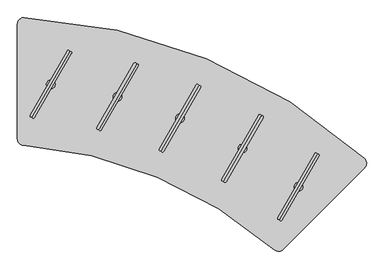
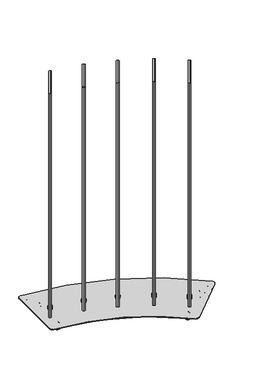
"""IFC4 building model written with IfcOpenShell, lengths in millimetres: furniture geometry."""

from ifc_helpers import new_model, si_unit, point, frame, frame_2d, origin, place, context, project, spatial, polyline, circle_curve, ellipse_curve, trimmed, segment, composite_curve, outline, extrude, source, transform, mapped, element, save
from ifc_brep_helpers import plane_surface, cylinder_surface, revolved_surface, advanced_brep


def furniture_2ecde058(model_context):
    return source(origin(), model_context, "Body", "SolidModel", [
        advanced_brep(
        [(280.6734308, -353.5244965, 45.0000013), (281.7186409, -351.0011417, 45.0000013), (279.6282207, -356.0478512, 45.0000013), (279.6282207, -356.0478512, 20.9698569), (281.7186409, -351.0011417, 20.9698569), (280.6734308, -353.5244965, 20.9698569)],
        [
            (0, 1),
            (1, 2, circle_curve(frame((280.6734308, -353.5244965, 45.0000013), z_axis=(0.0, 0.0, 1.0), x_axis=(0.3826841693843445, 0.9238792272275713, 0.0)), 2.7312604)),
            (2, 0),
            (2, 1, circle_curve(frame((280.6734308, -353.5244965, 45.0000013), z_axis=(0.0, 0.0, 1.0), x_axis=(0.3826841693843445, 0.9238792272275713, 0.0)), 2.7312604)),
            (3, 4, circle_curve(frame((280.6734308, -353.5244965, 20.9698569), z_axis=(0.0, 0.0, -1.0), x_axis=(0.3826841693843445, 0.9238792272275713, 0.0)), 2.7312604)),
            (4, 5),
            (5, 3),
            (4, 3, circle_curve(frame((280.6734308, -353.5244965, 20.9698569), z_axis=(0.0, 0.0, -1.0), x_axis=(0.3826841693843445, 0.9238792272275713, 0.0)), 2.7312604)),
            (1, 4),
            (3, 2),
        ],
        [
            plane_surface(frame((280.6734308, -353.5244965, 45.0000013), z_axis=(0.0, 0.0, 1.0), x_axis=(0.3826841693843445, 0.9238792272275713, 0.0))),
            plane_surface(frame((280.6734308, -353.5244965, 20.9698569), z_axis=(0.0, 0.0, -1.0), x_axis=(0.3826841693843445, 0.9238792272275713, 0.0))),
            cylinder_surface(frame((280.6734308, -353.5244965, 53.5051757), z_axis=(0.0, 0.0, 1.0), x_axis=(0.3826841693843445, 0.9238792272275713, 0.0)), 2.7312604),
        ],
        [
            (0, [[1, 2, 3]]),
            (0, [[-3, 4, -1]]),
            (1, [[5, 6, 7]]),
            (1, [[8, -7, -6]]),
            (2, [[-2, 9, -5, 10]]),
            (2, [[-4, -10, -8, -9]]),
        ],
    ),
        advanced_brep(
        [(287.9444294, -335.9707925, 6.35), (287.9444294, -335.9707925, 29.650001), (287.9444294, -335.9707925, 18.0000005), (285.514385, -341.8374256, 0.0), (285.514385, -341.8374256, 36.000001), (283.3522199, -347.0573422, 0.0), (283.3522199, -347.0573422, 36.000001), (283.3522199, -347.0573422, 11.0000008), (283.3522199, -347.0573422, 25.0000002), (277.99464, -359.991655, 11.0000008), (277.99464, -359.991655, 25.0000002), (277.99464, -359.991655, 0.0), (277.99464, -359.991655, 36.000001), (275.8324766, -365.2115673, 0.0), (275.8324766, -365.2115673, 36.000001), (273.4024321, -371.0782004, 6.35), (273.4024321, -371.0782004, 29.650001), (273.4024321, -371.0782004, 18.0000005)],
        [
            (0, 1, circle_curve(frame((287.9444294, -335.9707925, 18.0000005), z_axis=(0.3826841693843445, 0.9238792272275713, 0.0), x_axis=(0.0, 0.0, 1.0)), 11.6500005)),
            (1, 2),
            (2, 0),
            (1, 0, circle_curve(frame((287.9444294, -335.9707925, 18.0000005), z_axis=(0.3826841693843445, 0.9238792272275713, 0.0), x_axis=(0.0, 0.0, 1.0)), 11.6500005)),
            (3, 4, circle_curve(frame((285.514385, -341.8374256, 18.0000005), z_axis=(0.3826841693843445, 0.9238792272275713, 0.0), x_axis=(0.0, 0.0, 1.0)), 18.0000005)),
            (4, 1, circle_curve(frame((285.514385, -341.8374256, 29.650001), z_axis=(-0.9238792272275713, 0.3826841693843445, 0.0), x_axis=(0.3826841693843445, 0.9238792272275713, 0.0)), 6.35)),
            (0, 3, circle_curve(frame((285.514385, -341.8374256, 6.35), z_axis=(-0.9238792272275713, 0.3826841693843445, 0.0), x_axis=(0.3826841693843445, 0.9238792272275713, 0.0)), 6.35)),
            (4, 3, circle_curve(frame((285.514385, -341.8374256, 18.0000005), z_axis=(0.3826841693843445, 0.9238792272275713, 0.0), x_axis=(0.0, 0.0, 1.0)), 18.0000005)),
            (5, 6, circle_curve(frame((283.3522199, -347.0573422, 18.0000005), z_axis=(0.3826841693843445, 0.9238792272275713, 0.0), x_axis=(0.0, 0.0, 1.0)), 18.0000005)),
            (6, 4),
            (3, 5),
            (6, 5, circle_curve(frame((283.3522199, -347.0573422, 18.0000005), z_axis=(0.3826841693843445, 0.9238792272275713, 0.0), x_axis=(0.0, 0.0, 1.0)), 18.0000005)),
            (7, 8, circle_curve(frame((283.3522199, -347.0573422, 18.0000005), z_axis=(0.3826841693843445, 0.9238792272275713, 0.0), x_axis=(0.0, 0.0, 1.0)), 6.9999997)),
            (8, 6),
            (5, 7),
            (8, 7, circle_curve(frame((283.3522199, -347.0573422, 18.0000005), z_axis=(0.3826841693843445, 0.9238792272275713, 0.0), x_axis=(0.0, 0.0, 1.0)), 6.9999997)),
            (9, 10, circle_curve(frame((277.99464, -359.991655, 18.0000005), z_axis=(0.3826841693843445, 0.9238792272275713, 0.0), x_axis=(0.0, 0.0, 1.0)), 6.9999997)),
            (10, 8),
            (7, 9),
            (10, 9, circle_curve(frame((277.99464, -359.991655, 18.0000005), z_axis=(0.3826841693843445, 0.9238792272275713, 0.0), x_axis=(0.0, 0.0, 1.0)), 6.9999997)),
            (11, 12, circle_curve(frame((277.99464, -359.991655, 18.0000005), z_axis=(0.3826841693843445, 0.9238792272275713, 0.0), x_axis=(0.0, 0.0, 1.0)), 18.0000005)),
            (12, 10),
            (9, 11),
            (12, 11, circle_curve(frame((277.99464, -359.991655, 18.0000005), z_axis=(0.3826841693843445, 0.9238792272275713, 0.0), x_axis=(0.0, 0.0, 1.0)), 18.0000005)),
            (13, 14, circle_curve(frame((275.8324766, -365.2115673, 18.0000005), z_axis=(0.3826841693843445, 0.9238792272275713, 0.0), x_axis=(0.0, 0.0, 1.0)), 18.0000005)),
            (14, 12),
            (11, 13),
            (14, 13, circle_curve(frame((275.8324766, -365.2115673, 18.0000005), z_axis=(0.3826841693843445, 0.9238792272275713, 0.0), x_axis=(0.0, 0.0, 1.0)), 18.0000005)),
            (15, 16, circle_curve(frame((273.4024321, -371.0782004, 18.0000005), z_axis=(0.3826841693843445, 0.9238792272275713, 0.0), x_axis=(0.0, 0.0, 1.0)), 11.6500005)),
            (16, 14, circle_curve(frame((275.8324766, -365.2115673, 29.650001), z_axis=(-0.9238792272275713, 0.3826841693843445, 0.0), x_axis=(0.3826841693843445, 0.9238792272275713, 0.0)), 6.35)),
            (13, 15, circle_curve(frame((275.8324766, -365.2115673, 6.35), z_axis=(-0.9238792272275713, 0.3826841693843445, 0.0), x_axis=(0.3826841693843445, 0.9238792272275713, 0.0)), 6.35)),
            (16, 15, circle_curve(frame((273.4024321, -371.0782004, 18.0000005), z_axis=(0.3826841693843445, 0.9238792272275713, 0.0), x_axis=(0.0, 0.0, 1.0)), 11.6500005)),
            (17, 16),
            (15, 17),
        ],
        [
            plane_surface(frame((287.9444294, -335.9707925, 18.0000005), z_axis=(0.3826841693843445, 0.9238792272275713, 0.0), x_axis=(0.0, 0.0, 1.0))),
            revolved_surface(trimmed(ellipse_curve(frame((285.514385, -341.8374256, 29.650001), z_axis=(0.9238792272275713, -0.3826841693843445, 0.0), x_axis=(0.3826841693843445, 0.9238792272275713, 0.0)), 6.35, 6.35), [point((287.9444294, -335.9707925, 29.650001))], [point((285.514385, -341.8374256, 36.000001))], True, "CARTESIAN"), (258.8221653, -406.277999, 18.0000005), (-0.3826841693843445, -0.9238792272275713, 0.0)),
            cylinder_surface(frame((258.8221653, -406.277999, 18.0000005), z_axis=(-0.3826841693843445, -0.9238792272275713, 0.0), x_axis=(0.0, 0.0, 1.0)), 18.0000005),
            plane_surface(frame((283.3522199, -347.0573422, 18.0000005), z_axis=(-0.3826841693843445, -0.9238792272275713, 0.0), x_axis=(0.0, 0.0, 1.0))),
            cylinder_surface(frame((258.8221653, -406.277999, 18.0000005), z_axis=(-0.3826841693843445, -0.9238792272275713, 0.0), x_axis=(0.0, 0.0, 1.0)), 6.9999997),
            plane_surface(frame((277.99464, -359.991655, 18.0000005), z_axis=(0.3826841693843445, 0.9238792272275713, 0.0), x_axis=(0.0, 0.0, 1.0))),
            revolved_surface(trimmed(ellipse_curve(frame((275.8324766, -365.2115673, 29.650001), z_axis=(0.9238792272275713, -0.3826841693843445, 0.0), x_axis=(0.3826841693843445, 0.9238792272275713, 0.0)), 6.35, 6.35), [point((275.8324766, -365.2115673, 36.000001))], [point((273.4024321, -371.0782004, 29.650001))], True, "CARTESIAN"), (258.8221653, -406.277999, 18.0000005), (-0.3826841693843445, -0.9238792272275713, 0.0)),
            plane_surface(frame((273.4024321, -371.0782004, 18.0000005), z_axis=(-0.3826841693843445, -0.9238792272275713, 0.0), x_axis=(0.0, 0.0, 1.0))),
        ],
        [
            (0, [[1, 2, 3]]),
            (0, [[4, -3, -2]]),
            (1, [[5, 6, -1, 7]]),
            (1, [[8, -7, -4, -6]]),
            (2, [[9, 10, -5, 11]]),
            (2, [[12, -11, -8, -10]]),
            (3, [[13, 14, -9, 15]]),
            (3, [[16, -15, -12, -14]]),
            (4, [[17, 18, -13, 19]]),
            (4, [[20, -19, -16, -18]]),
            (5, [[21, 22, -17, 23]]),
            (5, [[24, -23, -20, -22]]),
            (2, [[25, 26, -21, 27]]),
            (2, [[28, -27, -24, -26]]),
            (6, [[29, 30, -25, 31]]),
            (6, [[32, -31, -28, -30]]),
            (7, [[33, -29, 34]]),
            (7, [[-34, -32, -33]]),
        ],
    ),
        advanced_brep(
        [(429.5525428, -204.6980144, 45.0000013), (430.5977537, -202.1746599, 45.0000013), (428.5073319, -207.2213688, 45.0000013), (428.5073319, -207.2213688, 20.9698569), (430.5977537, -202.1746599, 20.9698569), (429.5525428, -204.6980144, 20.9698569)],
        [
            (0, 1),
            (1, 2, circle_curve(frame((429.5525428, -204.6980144, 45.0000013), z_axis=(0.0, 0.0, 1.0), x_axis=(0.3826844634851495, 0.9238791054066994, 0.0)), 2.7312604)),
            (2, 0),
            (2, 1, circle_curve(frame((429.5525428, -204.6980144, 45.0000013), z_axis=(0.0, 0.0, 1.0), x_axis=(0.3826844634851495, 0.9238791054066994, 0.0)), 2.7312604)),
            (3, 4, circle_curve(frame((429.5525428, -204.6980144, 20.9698569), z_axis=(0.0, 0.0, -1.0), x_axis=(0.3826844634851495, 0.9238791054066994, 0.0)), 2.7312604)),
            (4, 5),
            (5, 3),
            (4, 3, circle_curve(frame((429.5525428, -204.6980144, 20.9698569), z_axis=(0.0, 0.0, -1.0), x_axis=(0.3826844634851495, 0.9238791054066994, 0.0)), 2.7312604)),
            (1, 4),
            (3, 2),
        ],
        [
            plane_surface(frame((429.5525428, -204.6980144, 45.0000013), z_axis=(0.0, 0.0, 1.0), x_axis=(0.38268446348514956, 0.9238791054066995, 0.0))),
            plane_surface(frame((429.5525428, -204.6980144, 20.9698569), z_axis=(0.0, 0.0, -1.0), x_axis=(0.38268446348514956, 0.9238791054066995, 0.0))),
            cylinder_surface(frame((429.5525428, -204.6980144, 53.5051757), z_axis=(0.0, 0.0, 1.0), x_axis=(0.3826844634851495, 0.9238791054066994, 0.0)), 2.7312604),
        ],
        [
            (0, [[1, 2, 3]]),
            (0, [[-3, 4, -1]]),
            (1, [[5, 6, 7]]),
            (1, [[8, -7, -6]]),
            (2, [[-2, 9, -5, 10]]),
            (2, [[-4, -10, -8, -9]]),
        ],
    ),
        advanced_brep(
        [(436.823547, -187.1443127, 6.35), (436.823547, -187.1443127, 29.650001), (436.823547, -187.1443127, 18.0000005), (434.3935007, -193.0109451, 0.0), (434.3935007, -193.0109451, 36.000001), (432.2313339, -198.2308609, 0.0), (432.2313339, -198.2308609, 36.000001), (432.2313339, -198.2308609, 11.0000008), (432.2313339, -198.2308609, 25.0000002), (426.8737499, -211.165172, 11.0000008), (426.8737499, -211.165172, 25.0000002), (426.8737499, -211.165172, 0.0), (426.8737499, -211.165172, 36.000001), (424.7115849, -216.3850837, 0.0), (424.7115849, -216.3850837, 36.000001), (422.2815386, -222.251716, 6.35), (422.2815386, -222.251716, 29.650001), (422.2815386, -222.251716, 18.0000005)],
        [
            (0, 1, circle_curve(frame((436.823547, -187.1443127, 18.0000005), z_axis=(0.3826844634851496, 0.9238791054066996, 0.0), x_axis=(0.0, 0.0, 1.0)), 11.6500005)),
            (1, 2),
            (2, 0),
            (1, 0, circle_curve(frame((436.823547, -187.1443127, 18.0000005), z_axis=(0.3826844634851496, 0.9238791054066996, 0.0), x_axis=(0.0, 0.0, 1.0)), 11.6500005)),
            (3, 4, circle_curve(frame((434.3935007, -193.0109451, 18.0000005), z_axis=(0.3826844634851496, 0.9238791054066996, 0.0), x_axis=(0.0, 0.0, 1.0)), 18.0000005)),
            (4, 1, circle_curve(frame((434.3935007, -193.0109451, 29.650001), z_axis=(-0.9238791054066994, 0.3826844634851495, 0.0), x_axis=(0.3826844634851495, 0.9238791054066994, 0.0)), 6.35)),
            (0, 3, circle_curve(frame((434.3935007, -193.0109451, 6.35), z_axis=(-0.9238791054066994, 0.3826844634851495, 0.0), x_axis=(0.3826844634851495, 0.9238791054066994, 0.0)), 6.35)),
            (4, 3, circle_curve(frame((434.3935007, -193.0109451, 18.0000005), z_axis=(0.3826844634851496, 0.9238791054066996, 0.0), x_axis=(0.0, 0.0, 1.0)), 18.0000005)),
            (5, 6, circle_curve(frame((432.2313339, -198.2308609, 18.0000005), z_axis=(0.3826844634851496, 0.9238791054066996, 0.0), x_axis=(0.0, 0.0, 1.0)), 18.0000005)),
            (6, 4),
            (3, 5),
            (6, 5, circle_curve(frame((432.2313339, -198.2308609, 18.0000005), z_axis=(0.3826844634851496, 0.9238791054066996, 0.0), x_axis=(0.0, 0.0, 1.0)), 18.0000005)),
            (7, 8, circle_curve(frame((432.2313339, -198.2308609, 18.0000005), z_axis=(0.3826844634851496, 0.9238791054066996, 0.0), x_axis=(0.0, 0.0, 1.0)), 6.9999997)),
            (8, 6),
            (5, 7),
            (8, 7, circle_curve(frame((432.2313339, -198.2308609, 18.0000005), z_axis=(0.3826844634851496, 0.9238791054066996, 0.0), x_axis=(0.0, 0.0, 1.0)), 6.9999997)),
            (9, 10, circle_curve(frame((426.8737499, -211.165172, 18.0000005), z_axis=(0.3826844634851496, 0.9238791054066996, 0.0), x_axis=(0.0, 0.0, 1.0)), 6.9999997)),
            (10, 8),
            (7, 9),
            (10, 9, circle_curve(frame((426.8737499, -211.165172, 18.0000005), z_axis=(0.3826844634851496, 0.9238791054066996, 0.0), x_axis=(0.0, 0.0, 1.0)), 6.9999997)),
            (11, 12, circle_curve(frame((426.8737499, -211.165172, 18.0000005), z_axis=(0.3826844634851496, 0.9238791054066996, 0.0), x_axis=(0.0, 0.0, 1.0)), 18.0000005)),
            (12, 10),
            (9, 11),
            (12, 11, circle_curve(frame((426.8737499, -211.165172, 18.0000005), z_axis=(0.3826844634851496, 0.9238791054066996, 0.0), x_axis=(0.0, 0.0, 1.0)), 18.0000005)),
            (13, 14, circle_curve(frame((424.7115849, -216.3850837, 18.0000005), z_axis=(0.3826844634851496, 0.9238791054066996, 0.0), x_axis=(0.0, 0.0, 1.0)), 18.0000005)),
            (14, 12),
            (11, 13),
            (14, 13, circle_curve(frame((424.7115849, -216.3850837, 18.0000005), z_axis=(0.3826844634851496, 0.9238791054066996, 0.0), x_axis=(0.0, 0.0, 1.0)), 18.0000005)),
            (15, 16, circle_curve(frame((422.2815386, -222.251716, 18.0000005), z_axis=(0.3826844634851496, 0.9238791054066996, 0.0), x_axis=(0.0, 0.0, 1.0)), 11.6500005)),
            (16, 14, circle_curve(frame((424.7115849, -216.3850837, 29.650001), z_axis=(-0.9238791054066994, 0.3826844634851495, 0.0), x_axis=(0.3826844634851495, 0.9238791054066994, 0.0)), 6.35)),
            (13, 15, circle_curve(frame((424.7115849, -216.3850837, 6.35), z_axis=(-0.9238791054066994, 0.3826844634851495, 0.0), x_axis=(0.3826844634851495, 0.9238791054066994, 0.0)), 6.35)),
            (16, 15, circle_curve(frame((422.2815386, -222.251716, 18.0000005), z_axis=(0.3826844634851496, 0.9238791054066996, 0.0), x_axis=(0.0, 0.0, 1.0)), 11.6500005)),
            (17, 16),
            (15, 17),
        ],
        [
            plane_surface(frame((436.823547, -187.1443127, 18.0000005), z_axis=(0.38268446348514956, 0.9238791054066995, 0.0), x_axis=(0.0, 0.0, 1.0))),
            revolved_surface(trimmed(ellipse_curve(frame((434.3935007, -193.0109451, 29.650001), z_axis=(0.9238791054066994, -0.3826844634851495, 0.0), x_axis=(0.3826844634851495, 0.9238791054066994, 0.0)), 6.35, 6.35), [point((436.823547, -187.1443127, 29.650001))], [point((434.3935007, -193.0109451, 36.000001))], True, "CARTESIAN"), (407.7012605, -257.4515099, 18.0000005), (-0.3826844634851495, -0.9238791054066994, 0.0)),
            cylinder_surface(frame((407.7012605, -257.4515099, 18.0000005), z_axis=(-0.3826844634851495, -0.9238791054066994, 0.0), x_axis=(0.0, 0.0, 1.0)), 18.0000005),
            plane_surface(frame((432.2313339, -198.2308609, 18.0000005), z_axis=(-0.38268446348514956, -0.9238791054066995, 0.0), x_axis=(0.0, 0.0, 1.0))),
            cylinder_surface(frame((407.7012605, -257.4515099, 18.0000005), z_axis=(-0.3826844634851495, -0.9238791054066994, 0.0), x_axis=(0.0, 0.0, 1.0)), 6.9999997),
            plane_surface(frame((426.8737499, -211.165172, 18.0000005), z_axis=(0.38268446348514956, 0.9238791054066995, 0.0), x_axis=(0.0, 0.0, 1.0))),
            revolved_surface(trimmed(ellipse_curve(frame((424.7115849, -216.3850837, 29.650001), z_axis=(0.9238791054066994, -0.3826844634851495, 0.0), x_axis=(0.3826844634851495, 0.9238791054066994, 0.0)), 6.35, 6.35), [point((424.7115849, -216.3850837, 36.000001))], [point((422.2815386, -222.251716, 29.650001))], True, "CARTESIAN"), (407.7012605, -257.4515099, 18.0000005), (-0.3826844634851495, -0.9238791054066994, 0.0)),
            plane_surface(frame((422.2815386, -222.251716, 18.0000005), z_axis=(-0.38268446348514956, -0.9238791054066995, 0.0), x_axis=(0.0, 0.0, 1.0))),
        ],
        [
            (0, [[1, 2, 3]]),
            (0, [[4, -3, -2]]),
            (1, [[5, 6, -1, 7]]),
            (1, [[8, -7, -4, -6]]),
            (2, [[9, 10, -5, 11]]),
            (2, [[12, -11, -8, -10]]),
            (3, [[13, 14, -9, 15]]),
            (3, [[16, -15, -12, -14]]),
            (4, [[17, 18, -13, 19]]),
            (4, [[20, -19, -16, -18]]),
            (5, [[21, 22, -17, 23]]),
            (5, [[24, -23, -20, -22]]),
            (2, [[25, 26, -21, 27]]),
            (2, [[28, -27, -24, -26]]),
            (6, [[29, 30, -25, 31]]),
            (6, [[32, -31, -28, -30]]),
            (7, [[33, -29, 34]]),
            (7, [[-34, -32, -33]]),
        ],
    ),
        advanced_brep(
        [(-388.6369377, -76.6798543, 45.0000013), (-387.5917288, -74.156499, 45.0000013), (-389.6821465, -79.2032097, 45.0000013), (-389.6821465, -79.2032097, 20.9698569), (-387.5917288, -74.156499, 20.9698569), (-388.6369377, -76.6798543, 20.9698569)],
        [
            (0, 1),
            (1, 2, circle_curve(frame((-388.6369377, -76.6798543, 45.0000013), z_axis=(0.0, 0.0, 1.0), x_axis=(0.38268370125254575, 0.9238794211344099, 0.0)), 2.7312604)),
            (2, 0),
            (2, 1, circle_curve(frame((-388.6369377, -76.6798543, 45.0000013), z_axis=(0.0, 0.0, 1.0), x_axis=(0.38268370125254575, 0.9238794211344099, 0.0)), 2.7312604)),
            (3, 4, circle_curve(frame((-388.6369377, -76.6798543, 20.9698569), z_axis=(0.0, 0.0, -1.0), x_axis=(0.38268370125254575, 0.9238794211344099, 0.0)), 2.7312604)),
            (4, 5),
            (5, 3),
            (4, 3, circle_curve(frame((-388.6369377, -76.6798543, 20.9698569), z_axis=(0.0, 0.0, -1.0), x_axis=(0.38268370125254575, 0.9238794211344099, 0.0)), 2.7312604)),
            (1, 4),
            (3, 2),
        ],
        [
            plane_surface(frame((-388.6369377, -76.6798543, 45.0000013), z_axis=(0.0, 0.0, 1.0), x_axis=(0.38268370125254575, 0.9238794211344099, 0.0))),
            plane_surface(frame((-388.6369377, -76.6798543, 20.9698569), z_axis=(0.0, 0.0, -1.0), x_axis=(0.38268370125254575, 0.9238794211344099, 0.0))),
            cylinder_surface(frame((-388.6369377, -76.6798543, 53.5051757), z_axis=(0.0, 0.0, 1.0), x_axis=(0.38268370125254575, 0.9238794211344099, 0.0)), 2.7312604),
        ],
        [
            (0, [[1, 2, 3]]),
            (0, [[-3, 4, -1]]),
            (1, [[5, 6, 7]]),
            (1, [[8, -7, -6]]),
            (2, [[-2, 9, -5, 10]]),
            (2, [[-4, -10, -8, -9]]),
        ],
    ),
        advanced_brep(
        [(-381.3659479, -59.1261467, 6.35), (-381.3659479, -59.1261467, 29.650001), (-381.3659479, -59.1261467, 18.0000005), (-383.7959894, -64.992781, 0.0), (-383.7959894, -64.992781, 36.000001), (-385.9581519, -70.2126987, 0.0), (-385.9581519, -70.2126987, 36.000001), (-385.9581519, -70.2126987, 11.0000008), (-385.9581519, -70.2126987, 25.0000002), (-391.3157252, -83.1470142, 11.0000008), (-391.3157252, -83.1470142, 25.0000002), (-391.3157252, -83.1470142, 0.0), (-391.3157252, -83.1470142, 36.000001), (-393.4778859, -88.3669276, 0.0), (-393.4778859, -88.3669276, 36.000001), (-395.9079274, -94.233562, 6.35), (-395.9079274, -94.233562, 29.650001), (-395.9079274, -94.233562, 18.0000005)],
        [
            (0, 1, circle_curve(frame((-381.3659479, -59.1261467, 18.0000005), z_axis=(0.38268370125254575, 0.9238794211344099, 0.0), x_axis=(0.0, 0.0, 1.0)), 11.6500005)),
            (1, 2),
            (2, 0),
            (1, 0, circle_curve(frame((-381.3659479, -59.1261467, 18.0000005), z_axis=(0.38268370125254575, 0.9238794211344099, 0.0), x_axis=(0.0, 0.0, 1.0)), 11.6500005)),
            (3, 4, circle_curve(frame((-383.7959894, -64.992781, 18.0000005), z_axis=(0.38268370125254575, 0.9238794211344099, 0.0), x_axis=(0.0, 0.0, 1.0)), 18.0000005)),
            (4, 1, circle_curve(frame((-383.7959894, -64.992781, 29.650001), z_axis=(-0.9238794211344099, 0.38268370125254575, 0.0), x_axis=(0.38268370125254575, 0.9238794211344099, 0.0)), 6.35)),
            (0, 3, circle_curve(frame((-383.7959894, -64.992781, 6.35), z_axis=(-0.9238794211344099, 0.38268370125254575, 0.0), x_axis=(0.38268370125254575, 0.9238794211344099, 0.0)), 6.35)),
            (4, 3, circle_curve(frame((-383.7959894, -64.992781, 18.0000005), z_axis=(0.38268370125254575, 0.9238794211344099, 0.0), x_axis=(0.0, 0.0, 1.0)), 18.0000005)),
            (5, 6, circle_curve(frame((-385.9581519, -70.2126987, 18.0000005), z_axis=(0.38268370125254575, 0.9238794211344099, 0.0), x_axis=(0.0, 0.0, 1.0)), 18.0000005)),
            (6, 4),
            (3, 5),
            (6, 5, circle_curve(frame((-385.9581519, -70.2126987, 18.0000005), z_axis=(0.38268370125254575, 0.9238794211344099, 0.0), x_axis=(0.0, 0.0, 1.0)), 18.0000005)),
            (7, 8, circle_curve(frame((-385.9581519, -70.2126987, 18.0000005), z_axis=(0.38268370125254575, 0.9238794211344099, 0.0), x_axis=(0.0, 0.0, 1.0)), 6.9999997)),
            (8, 6),
            (5, 7),
            (8, 7, circle_curve(frame((-385.9581519, -70.2126987, 18.0000005), z_axis=(0.38268370125254575, 0.9238794211344099, 0.0), x_axis=(0.0, 0.0, 1.0)), 6.9999997)),
            (9, 10, circle_curve(frame((-391.3157252, -83.1470142, 18.0000005), z_axis=(0.38268370125254575, 0.9238794211344099, 0.0), x_axis=(0.0, 0.0, 1.0)), 6.9999997)),
            (10, 8),
            (7, 9),
            (10, 9, circle_curve(frame((-391.3157252, -83.1470142, 18.0000005), z_axis=(0.38268370125254575, 0.9238794211344099, 0.0), x_axis=(0.0, 0.0, 1.0)), 6.9999997)),
            (11, 12, circle_curve(frame((-391.3157252, -83.1470142, 18.0000005), z_axis=(0.38268370125254575, 0.9238794211344099, 0.0), x_axis=(0.0, 0.0, 1.0)), 18.0000005)),
            (12, 10),
            (9, 11),
            (12, 11, circle_curve(frame((-391.3157252, -83.1470142, 18.0000005), z_axis=(0.38268370125254575, 0.9238794211344099, 0.0), x_axis=(0.0, 0.0, 1.0)), 18.0000005)),
            (13, 14, circle_curve(frame((-393.4778859, -88.3669276, 18.0000005), z_axis=(0.38268370125254575, 0.9238794211344099, 0.0), x_axis=(0.0, 0.0, 1.0)), 18.0000005)),
            (14, 12),
            (11, 13),
            (14, 13, circle_curve(frame((-393.4778859, -88.3669276, 18.0000005), z_axis=(0.38268370125254575, 0.9238794211344099, 0.0), x_axis=(0.0, 0.0, 1.0)), 18.0000005)),
            (15, 16, circle_curve(frame((-395.9079274, -94.233562, 18.0000005), z_axis=(0.38268370125254575, 0.9238794211344099, 0.0), x_axis=(0.0, 0.0, 1.0)), 11.6500005)),
            (16, 14, circle_curve(frame((-393.4778859, -88.3669276, 29.650001), z_axis=(-0.9238794211344099, 0.38268370125254575, 0.0), x_axis=(0.38268370125254575, 0.9238794211344099, 0.0)), 6.35)),
            (13, 15, circle_curve(frame((-393.4778859, -88.3669276, 6.35), z_axis=(-0.9238794211344099, 0.38268370125254575, 0.0), x_axis=(0.38268370125254575, 0.9238794211344099, 0.0)), 6.35)),
            (16, 15, circle_curve(frame((-395.9079274, -94.233562, 18.0000005), z_axis=(0.38268370125254575, 0.9238794211344099, 0.0), x_axis=(0.0, 0.0, 1.0)), 11.6500005)),
            (17, 16),
            (15, 17),
        ],
        [
            plane_surface(frame((-381.3659479, -59.1261467, 18.0000005), z_axis=(0.38268370125254575, 0.9238794211344099, 0.0), x_axis=(0.0, 0.0, 1.0))),
            revolved_surface(trimmed(ellipse_curve(frame((-383.7959894, -64.992781, 29.650001), z_axis=(0.9238794211344099, -0.38268370125254575, 0.0), x_axis=(0.38268370125254575, 0.9238794211344099, 0.0)), 6.35, 6.35), [point((-381.3659479, -59.1261467, 29.650001))], [point((-383.7959894, -64.992781, 36.000001))], True, "CARTESIAN"), (-410.4881764, -129.4333679, 18.0000005), (-0.38268370125254575, -0.9238794211344099, 0.0)),
            cylinder_surface(frame((-410.4881764, -129.4333679, 18.0000005), z_axis=(-0.38268370125254575, -0.9238794211344099, 0.0), x_axis=(0.0, 0.0, 1.0)), 18.0000005),
            plane_surface(frame((-385.9581519, -70.2126987, 18.0000005), z_axis=(-0.38268370125254575, -0.9238794211344099, 0.0), x_axis=(0.0, 0.0, 1.0))),
            cylinder_surface(frame((-410.4881764, -129.4333679, 18.0000005), z_axis=(-0.38268370125254575, -0.9238794211344099, 0.0), x_axis=(0.0, 0.0, 1.0)), 6.9999997),
            plane_surface(frame((-391.3157252, -83.1470142, 18.0000005), z_axis=(0.38268370125254575, 0.9238794211344099, 0.0), x_axis=(0.0, 0.0, 1.0))),
            revolved_surface(trimmed(ellipse_curve(frame((-393.4778859, -88.3669276, 29.650001), z_axis=(0.9238794211344099, -0.38268370125254575, 0.0), x_axis=(0.38268370125254575, 0.9238794211344099, 0.0)), 6.35, 6.35), [point((-393.4778859, -88.3669276, 36.000001))], [point((-395.9079274, -94.233562, 29.650001))], True, "CARTESIAN"), (-410.4881764, -129.4333679, 18.0000005), (-0.38268370125254575, -0.9238794211344099, 0.0)),
            plane_surface(frame((-395.9079274, -94.233562, 18.0000005), z_axis=(-0.38268370125254575, -0.9238794211344099, 0.0), x_axis=(0.0, 0.0, 1.0))),
        ],
        [
            (0, [[1, 2, 3]]),
            (0, [[4, -3, -2]]),
            (1, [[5, 6, -1, 7]]),
            (1, [[8, -7, -4, -6]]),
            (2, [[9, 10, -5, 11]]),
            (2, [[12, -11, -8, -10]]),
            (3, [[13, 14, -9, 15]]),
            (3, [[16, -15, -12, -14]]),
            (4, [[17, 18, -13, 19]]),
            (4, [[20, -19, -16, -18]]),
            (5, [[21, 22, -17, 23]]),
            (5, [[24, -23, -20, -22]]),
            (2, [[25, 26, -21, 27]]),
            (2, [[28, -27, -24, -26]]),
            (6, [[29, 30, -25, 31]]),
            (6, [[32, -31, -28, -30]]),
            (7, [[33, -29, 34]]),
            (7, [[-34, -32, -33]]),
        ],
    ),
        advanced_brep(
        [(-388.5036269, 134.1442943, 45.0000013), (-387.4584191, 136.6676501, 45.0000013), (-389.5488346, 131.6209386, 45.0000013), (-389.5488346, 131.6209386, 20.9698569), (-387.4584191, 136.6676501, 20.9698569), (-388.5036269, 134.1442943, 20.9698569)],
        [
            (0, 1),
            (1, 2, circle_curve(frame((-388.5036269, 134.1442943, 45.0000013), z_axis=(0.0, 0.0, 1.0), x_axis=(0.38268330505817266, 0.9238795852435282, 0.0)), 2.7312604)),
            (2, 0),
            (2, 1, circle_curve(frame((-388.5036269, 134.1442943, 45.0000013), z_axis=(0.0, 0.0, 1.0), x_axis=(0.38268330505817266, 0.9238795852435282, 0.0)), 2.7312604)),
            (3, 4, circle_curve(frame((-388.5036269, 134.1442943, 20.9698569), z_axis=(0.0, 0.0, -1.0), x_axis=(0.38268330505817266, 0.9238795852435282, 0.0)), 2.7312604)),
            (4, 5),
            (5, 3),
            (4, 3, circle_curve(frame((-388.5036269, 134.1442943, 20.9698569), z_axis=(0.0, 0.0, -1.0), x_axis=(0.38268330505817266, 0.9238795852435282, 0.0)), 2.7312604)),
            (1, 4),
            (3, 2),
        ],
        [
            plane_surface(frame((-388.5036269, 134.1442943, 45.0000013), z_axis=(0.0, 0.0, 1.0000000000000002), x_axis=(0.38268330505817266, 0.9238795852435282, 0.0))),
            plane_surface(frame((-388.5036269, 134.1442943, 20.9698569), z_axis=(0.0, 0.0, -1.0000000000000002), x_axis=(0.38268330505817266, 0.9238795852435282, 0.0))),
            cylinder_surface(frame((-388.5036269, 134.1442943, 53.5051757), z_axis=(0.0, 0.0, 1.0), x_axis=(0.38268330505817266, 0.9238795852435282, 0.0)), 2.7312604),
        ],
        [
            (0, [[1, 2, 3]]),
            (0, [[-3, 4, -1]]),
            (1, [[5, 6, 7]]),
            (1, [[8, -7, -6]]),
            (2, [[-2, 9, -5, 10]]),
            (2, [[-4, -10, -8, -9]]),
        ],
    ),
        advanced_brep(
        [(-381.2326446, 151.6980051, 6.35), (-381.2326446, 151.6980051, 29.650001), (-381.2326446, 151.6980051, 18.0000005), (-383.6626836, 145.8313697, 0.0), (-383.6626836, 145.8313697, 36.000001), (-385.8248438, 140.6114511, 0.0), (-385.8248438, 140.6114511, 36.000001), (-385.8248438, 140.6114511, 11.0000008), (-385.8248438, 140.6114511, 25.0000002), (-391.1824116, 127.6771333, 11.0000008), (-391.1824116, 127.6771333, 25.0000002), (-391.1824116, 127.6771333, 0.0), (-391.1824116, 127.6771333, 36.000001), (-393.3445701, 122.4572189, 0.0), (-393.3445701, 122.4572189, 36.000001), (-395.7746091, 116.5905836, 6.35), (-395.7746091, 116.5905836, 29.650001), (-395.7746091, 116.5905836, 18.0000005)],
        [
            (0, 1, circle_curve(frame((-381.2326446, 151.6980051, 18.0000005), z_axis=(0.38268330505817266, 0.9238795852435282, 0.0), x_axis=(0.0, 0.0, 1.0)), 11.6500005)),
            (1, 2),
            (2, 0),
            (1, 0, circle_curve(frame((-381.2326446, 151.6980051, 18.0000005), z_axis=(0.38268330505817266, 0.9238795852435282, 0.0), x_axis=(0.0, 0.0, 1.0)), 11.6500005)),
            (3, 4, circle_curve(frame((-383.6626836, 145.8313697, 18.0000005), z_axis=(0.38268330505817266, 0.9238795852435282, 0.0), x_axis=(0.0, 0.0, 1.0)), 18.0000005)),
            (4, 1, circle_curve(frame((-383.6626836, 145.8313697, 29.650001), z_axis=(-0.9238795852435282, 0.38268330505817266, 0.0), x_axis=(0.38268330505817266, 0.9238795852435282, 0.0)), 6.35)),
            (0, 3, circle_curve(frame((-383.6626836, 145.8313697, 6.35), z_axis=(-0.9238795852435282, 0.38268330505817266, 0.0), x_axis=(0.38268330505817266, 0.9238795852435282, 0.0)), 6.35)),
            (4, 3, circle_curve(frame((-383.6626836, 145.8313697, 18.0000005), z_axis=(0.38268330505817266, 0.9238795852435282, 0.0), x_axis=(0.0, 0.0, 1.0)), 18.0000005)),
            (5, 6, circle_curve(frame((-385.8248438, 140.6114511, 18.0000005), z_axis=(0.38268330505817266, 0.9238795852435282, 0.0), x_axis=(0.0, 0.0, 1.0)), 18.0000005)),
            (6, 4),
            (3, 5),
            (6, 5, circle_curve(frame((-385.8248438, 140.6114511, 18.0000005), z_axis=(0.38268330505817266, 0.9238795852435282, 0.0), x_axis=(0.0, 0.0, 1.0)), 18.0000005)),
            (7, 8, circle_curve(frame((-385.8248438, 140.6114511, 18.0000005), z_axis=(0.38268330505817266, 0.9238795852435282, 0.0), x_axis=(0.0, 0.0, 1.0)), 6.9999997)),
            (8, 6),
            (5, 7),
            (8, 7, circle_curve(frame((-385.8248438, 140.6114511, 18.0000005), z_axis=(0.38268330505817266, 0.9238795852435282, 0.0), x_axis=(0.0, 0.0, 1.0)), 6.9999997)),
            (9, 10, circle_curve(frame((-391.1824116, 127.6771333, 18.0000005), z_axis=(0.38268330505817266, 0.9238795852435282, 0.0), x_axis=(0.0, 0.0, 1.0)), 6.9999997)),
            (10, 8),
            (7, 9),
            (10, 9, circle_curve(frame((-391.1824116, 127.6771333, 18.0000005), z_axis=(0.38268330505817266, 0.9238795852435282, 0.0), x_axis=(0.0, 0.0, 1.0)), 6.9999997)),
            (11, 12, circle_curve(frame((-391.1824116, 127.6771333, 18.0000005), z_axis=(0.38268330505817266, 0.9238795852435282, 0.0), x_axis=(0.0, 0.0, 1.0)), 18.0000005)),
            (12, 10),
            (9, 11),
            (12, 11, circle_curve(frame((-391.1824116, 127.6771333, 18.0000005), z_axis=(0.38268330505817266, 0.9238795852435282, 0.0), x_axis=(0.0, 0.0, 1.0)), 18.0000005)),
            (13, 14, circle_curve(frame((-393.3445701, 122.4572189, 18.0000005), z_axis=(0.38268330505817266, 0.9238795852435282, 0.0), x_axis=(0.0, 0.0, 1.0)), 18.0000005)),
            (14, 12),
            (11, 13),
            (14, 13, circle_curve(frame((-393.3445701, 122.4572189, 18.0000005), z_axis=(0.38268330505817266, 0.9238795852435282, 0.0), x_axis=(0.0, 0.0, 1.0)), 18.0000005)),
            (15, 16, circle_curve(frame((-395.7746091, 116.5905836, 18.0000005), z_axis=(0.38268330505817266, 0.9238795852435282, 0.0), x_axis=(0.0, 0.0, 1.0)), 11.6500005)),
            (16, 14, circle_curve(frame((-393.3445701, 122.4572189, 29.650001), z_axis=(-0.9238795852435282, 0.38268330505817266, 0.0), x_axis=(0.38268330505817266, 0.9238795852435282, 0.0)), 6.35)),
            (13, 15, circle_curve(frame((-393.3445701, 122.4572189, 6.35), z_axis=(-0.9238795852435282, 0.38268330505817266, 0.0), x_axis=(0.38268330505817266, 0.9238795852435282, 0.0)), 6.35)),
            (16, 15, circle_curve(frame((-395.7746091, 116.5905836, 18.0000005), z_axis=(0.38268330505817266, 0.9238795852435282, 0.0), x_axis=(0.0, 0.0, 1.0)), 11.6500005)),
            (17, 16),
            (15, 17),
        ],
        [
            plane_surface(frame((-381.2326446, 151.6980051, 18.0000005), z_axis=(0.38268330505817266, 0.9238795852435282, 0.0), x_axis=(0.0, 0.0, 1.0))),
            revolved_surface(trimmed(ellipse_curve(frame((-383.6626836, 145.8313697, 29.650001), z_axis=(0.9238795852435282, -0.38268330505817266, 0.0), x_axis=(0.38268330505817266, 0.9238795852435282, 0.0)), 6.35, 6.35), [point((-381.2326446, 151.6980051, 29.650001))], [point((-383.6626836, 145.8313697, 36.000001))], True, "CARTESIAN"), (-410.354843, 81.3907714, 18.0000005), (-0.38268330505817266, -0.9238795852435282, 0.0)),
            cylinder_surface(frame((-410.354843, 81.3907714, 18.0000005), z_axis=(-0.38268330505817266, -0.9238795852435282, 0.0), x_axis=(0.0, 0.0, 1.0)), 18.0000005),
            plane_surface(frame((-385.8248438, 140.6114511, 18.0000005), z_axis=(-0.38268330505817266, -0.9238795852435282, 0.0), x_axis=(0.0, 0.0, 1.0))),
            cylinder_surface(frame((-410.354843, 81.3907714, 18.0000005), z_axis=(-0.38268330505817266, -0.9238795852435282, 0.0), x_axis=(0.0, 0.0, 1.0)), 6.9999997),
            plane_surface(frame((-391.1824116, 127.6771333, 18.0000005), z_axis=(0.38268330505817266, 0.9238795852435282, 0.0), x_axis=(0.0, 0.0, 1.0))),
            revolved_surface(trimmed(ellipse_curve(frame((-393.3445701, 122.4572189, 29.650001), z_axis=(0.9238795852435282, -0.38268330505817266, 0.0), x_axis=(0.38268330505817266, 0.9238795852435282, 0.0)), 6.35, 6.35), [point((-393.3445701, 122.4572189, 36.000001))], [point((-395.7746091, 116.5905836, 29.650001))], True, "CARTESIAN"), (-410.354843, 81.3907714, 18.0000005), (-0.38268330505817266, -0.9238795852435282, 0.0)),
            plane_surface(frame((-395.7746091, 116.5905836, 18.0000005), z_axis=(-0.38268330505817266, -0.9238795852435282, 0.0), x_axis=(0.0, 0.0, 1.0))),
        ],
        [
            (0, [[1, 2, 3]]),
            (0, [[4, -3, -2]]),
            (1, [[5, 6, -1, 7]]),
            (1, [[8, -7, -4, -6]]),
            (2, [[9, 10, -5, 11]]),
            (2, [[12, -11, -8, -10]]),
            (3, [[13, 14, -9, 15]]),
            (3, [[16, -15, -12, -14]]),
            (4, [[17, 18, -13, 19]]),
            (4, [[20, -19, -16, -18]]),
            (5, [[21, 22, -17, 23]]),
            (5, [[24, -23, -20, -22]]),
            (2, [[25, 26, -21, 27]]),
            (2, [[28, -27, -24, -26]]),
            (6, [[29, 30, -25, 31]]),
            (6, [[32, -31, -28, -30]]),
            (7, [[33, -29, 34]]),
            (7, [[-34, -32, -33]]),
        ],
    ),
        extrude(outline(composite_curve([segment(trimmed(circle_curve(frame_2d((-419.4960741, 167.4557313)), 19.05), [point((-438.5460741, 167.4557313))], [point((-418.1073044, 186.4550423))], False, "CARTESIAN"), True, "CONTINUOUS"), segment(trimmed(circle_curve(frame_2d((-531.7750957, -1368.5974254)), 1559.2012519), [point((-418.1073044, 186.4550423))], [point((487.4377356, -188.6339732))], False, "CARTESIAN"), True, "CONTINUOUS"), segment(trimmed(circle_curve(frame_2d((474.9852029, -203.0505238)), 19.05), [point((487.4377356, -188.6339732))], [point((488.4555858, -216.5209092))], False, "CARTESIAN"), True, "CONTINUOUS"), segment(polyline([(488.4555858, -216.5209092), (295.9646299, -409.0118286)]), True, "CONTINUOUS"), segment(trimmed(circle_curve(frame_2d((282.494247, -395.5414431)), 19.05), [point((295.9646299, -409.0118286))], [point((270.2667118, -410.1493138))], False, "CARTESIAN"), True, "CONTINUOUS"), segment(trimmed(circle_curve(frame_2d((-531.5515125, -1368.0575729)), 1249.2000231), [point((270.2667118, -410.1493138))], [point((-421.179225, -123.7430403))], True, "CARTESIAN"), True, "CONTINUOUS"), segment(trimmed(circle_curve(frame_2d((-419.4960741, -104.7675429)), 19.05), [point((-421.179225, -123.7430403))], [point((-438.5460741, -104.7675429))], False, "CARTESIAN"), True, "CONTINUOUS"), segment(polyline([(-438.5460741, -104.7675429), (-438.5460741, 167.4557313)]), True, "CONTINUOUS")], self_intersect=False)), frame((0.0, 0.0, 36.322), z_axis=(0.0, 0.0, 1.0), x_axis=(1.0, 0.0, 0.0)), (0.0, 0.0, 1.0), 20.6756),
        extrude(outline(composite_curve([segment(polyline([(-468.5460736, -131.1224266), (-468.5460736, 199.3418668)]), True, "CONTINUOUS"), segment(trimmed(circle_curve(frame_2d((-449.4960736, 199.3418668)), 19.05), [point((-468.5460736, 199.3418668))], [point((-448.5014738, 218.3658851))], False, "CARTESIAN"), True, "CONTINUOUS"), segment(trimmed(circle_curve(frame_2d((-531.4274371, -1367.784621)), 1588.3167642), [point((-448.5014738, 218.3658851))], [point((531.4986436, -187.5565539))], False, "CARTESIAN"), True, "CONTINUOUS"), segment(trimmed(circle_curve(frame_2d((518.7500897, -201.7120078)), 19.05), [point((531.4986436, -187.5565539))], [point((532.220476, -215.1823899))], False, "CARTESIAN"), True, "CONTINUOUS"), segment(polyline([(532.220476, -215.1823899), (297.882893, -449.5200458)]), True, "CONTINUOUS"), segment(trimmed(circle_curve(frame_2d((284.4125067, -436.0496637)), 19.05), [point((297.882893, -449.5200458))], [point((271.9304226, -450.4406358))], False, "CARTESIAN"), True, "CONTINUOUS"), segment(trimmed(circle_curve(frame_2d((-541.5381758, -1388.3131727)), 1241.5055603), [point((271.9304226, -450.4406358))], [point((-450.8870492, -150.1215762))], True, "CARTESIAN"), True, "CONTINUOUS"), segment(trimmed(circle_curve(frame_2d((-449.4960736, -131.1224266)), 19.05), [point((-450.8870492, -150.1215762))], [point((-468.5460736, -131.1224266))], False, "CARTESIAN"), True, "CONTINUOUS")], self_intersect=False)), frame((0.0, 0.0, 56.9976), z_axis=(0.0, 0.0, 1.0), x_axis=(1.0, 0.0, 0.0)), (0.0, 0.0, 1.0), 2.9999986),
        extrude(outline(composite_curve([segment(polyline([(281.9295904, -358.8077226), (388.5875108, -174.0707853)]), True, "CONTINUOUS"), segment(trimmed(circle_curve(frame_2d((391.6185291, -175.8207445)), 3.4999184), [point((388.5875108, -174.0707853))], [point((394.6495473, -177.5707037))], False, "CARTESIAN"), True, "CONTINUOUS"), segment(polyline([(394.6495473, -177.5707037), (287.9916269, -362.3076409)]), True, "CONTINUOUS"), segment(trimmed(circle_curve(frame_2d((284.9606086, -360.5576818)), 3.4999184), [point((287.9916269, -362.3076409))], [point((281.9295904, -358.8077226))], False, "CARTESIAN"), True, "CONTINUOUS")], self_intersect=False)), frame((0.0, 0.0, 80.7339983), z_axis=(0.0, 0.0, 1.0), x_axis=(1.0, 0.0, 0.0)), (0.0, 0.0, 1.0), 1500.124),
        extrude(outline(composite_curve([segment(trimmed(circle_curve(frame_2d((291.0226451, -364.0576001)), 3.4999184), [point((294.0536633, -365.8075593))], [point((287.9916269, -362.3076409))], False, "CARTESIAN"), True, "CONTINUOUS"), segment(polyline([(287.9916269, -362.3076409), (394.6495473, -177.5707037)]), True, "CONTINUOUS"), segment(trimmed(circle_curve(frame_2d((397.6805655, -179.3206629)), 3.4999184), [point((394.6495473, -177.5707037))], [point((400.7115838, -181.0706221))], False, "CARTESIAN"), True, "CONTINUOUS"), segment(polyline([(400.7115838, -181.0706221), (294.0536633, -365.8075593)]), True, "CONTINUOUS")], self_intersect=False)), frame((0.0, 0.0, 80.7339983), z_axis=(0.0, 0.0, 1.0), x_axis=(1.0, 0.0, 0.0)), (0.0, 0.0, 1.0), 1500.124),
        advanced_brep(
        [(341.3143001, -282.4358914, 80.7339983), (341.3143001, -257.4397564, 80.7339983), (341.3143001, -257.4397564, 59.9975986), (341.3143001, -282.4358914, 59.9975986), (341.3143001, -269.9378239, 80.7339983), (341.3143001, -269.9378239, 59.9975986)],
        [
            (0, 1, circle_curve(frame((341.3143001, -269.9378239, 80.7339983), z_axis=(0.0, 0.0, -1.0), x_axis=(0.0, 1.0, 0.0)), 12.4980675)),
            (1, 2),
            (2, 3, circle_curve(frame((341.3143001, -269.9378239, 59.9975986), z_axis=(0.0, 0.0, 1.0), x_axis=(0.0, 1.0, 0.0)), 12.4980675)),
            (3, 0),
            (4, 1),
            (0, 4),
            (0, 1, circle_curve(frame((341.3143001, -269.9378239, 80.7339983), z_axis=(0.0, 0.0, 1.0), x_axis=(0.0, 1.0, 0.0)), 12.4980675)),
            (2, 5),
            (5, 3),
            (2, 3, circle_curve(frame((341.3143001, -269.9378239, 59.9975986), z_axis=(0.0, 0.0, -1.0), x_axis=(0.0, 1.0, 0.0)), 12.4980675)),
        ],
        [
            cylinder_surface(frame((341.3143001, -269.9378239, 88.2747758), z_axis=(0.0, 0.0, 1.0), x_axis=(0.0, 1.0, 0.0)), 12.4980675),
            plane_surface(frame((341.3143001, -269.9378239, 80.7339983), z_axis=(0.0, 0.0, 1.0), x_axis=(0.0, 1.0, 0.0))),
            plane_surface(frame((341.3143001, -269.9378239, 59.9975986), z_axis=(0.0, 0.0, -1.0), x_axis=(0.0, 1.0, 0.0))),
        ],
        [
            (0, [[1, 2, 3, 4]]),
            (1, [[5, -1, 6]]),
            (1, [[-6, 7, -5]]),
            (2, [[-3, 8, 9]]),
            (2, [[10, -9, -8]]),
            (0, [[-7, -4, -10, -2]]),
        ],
    ),
        extrude(outline(composite_curve([segment(polyline([(120.6262821, -248.0135769), (227.2842025, -63.2766396)]), True, "CONTINUOUS"), segment(trimmed(circle_curve(frame_2d((230.3152208, -65.0265988)), 3.4999184), [point((227.2842025, -63.2766396))], [point((233.346239, -66.776558))], False, "CARTESIAN"), True, "CONTINUOUS"), segment(polyline([(233.346239, -66.776558), (126.6883186, -251.5134953)]), True, "CONTINUOUS"), segment(trimmed(circle_curve(frame_2d((123.6573003, -249.7635361)), 3.4999184), [point((126.6883186, -251.5134953))], [point((120.6262821, -248.0135769))], False, "CARTESIAN"), True, "CONTINUOUS")], self_intersect=False)), frame((0.0, 0.0, 80.7339983), z_axis=(0.0, 0.0, 1.0), x_axis=(1.0, 0.0, 0.0)), (0.0, 0.0, 1.0), 1500.124),
        extrude(outline(composite_curve([segment(trimmed(circle_curve(frame_2d((129.7193368, -253.2634545)), 3.4999184), [point((132.750355, -255.0134136))], [point((126.6883186, -251.5134953))], False, "CARTESIAN"), True, "CONTINUOUS"), segment(polyline([(126.6883186, -251.5134953), (233.346239, -66.776558)]), True, "CONTINUOUS"), segment(trimmed(circle_curve(frame_2d((236.3772572, -68.5265172)), 3.4999184), [point((233.346239, -66.776558))], [point((239.4082755, -70.2764764))], False, "CARTESIAN"), True, "CONTINUOUS"), segment(polyline([(239.4082755, -70.2764764), (132.750355, -255.0134136)]), True, "CONTINUOUS")], self_intersect=False)), frame((0.0, 0.0, 80.7339983), z_axis=(0.0, 0.0, 1.0), x_axis=(1.0, 0.0, 0.0)), (0.0, 0.0, 1.0), 1500.124),
        advanced_brep(
        [(180.0109918, -171.6417458, 80.7339983), (180.0109918, -146.6456107, 80.7339983), (180.0109918, -146.6456107, 59.9975986), (180.0109918, -171.6417458, 59.9975986), (180.0109918, -159.1436782, 80.7339983), (180.0109918, -159.1436782, 59.9975986)],
        [
            (0, 1, circle_curve(frame((180.0109918, -159.1436782, 80.7339983), z_axis=(0.0, 0.0, -1.0), x_axis=(0.0, 1.0, 0.0)), 12.4980675)),
            (1, 2),
            (2, 3, circle_curve(frame((180.0109918, -159.1436782, 59.9975986), z_axis=(0.0, 0.0, 1.0), x_axis=(0.0, 1.0, 0.0)), 12.4980675)),
            (3, 0),
            (4, 1),
            (0, 4),
            (0, 1, circle_curve(frame((180.0109918, -159.1436782, 80.7339983), z_axis=(0.0, 0.0, 1.0), x_axis=(0.0, 1.0, 0.0)), 12.4980675)),
            (2, 5),
            (5, 3),
            (2, 3, circle_curve(frame((180.0109918, -159.1436782, 59.9975986), z_axis=(0.0, 0.0, -1.0), x_axis=(0.0, 1.0, 0.0)), 12.4980675)),
        ],
        [
            cylinder_surface(frame((180.0109918, -159.1436782, 88.2747758), z_axis=(0.0, 0.0, 1.0), x_axis=(0.0, 1.0, 0.0)), 12.4980675),
            plane_surface(frame((180.0109918, -159.1436782, 80.7339983), z_axis=(0.0, 0.0, 1.0), x_axis=(0.0, 1.0, 0.0))),
            plane_surface(frame((180.0109918, -159.1436782, 59.9975986), z_axis=(0.0, 0.0, -1.0), x_axis=(0.0, 1.0, 0.0))),
        ],
        [
            (0, [[1, 2, 3, 4]]),
            (1, [[5, -1, 6]]),
            (1, [[-6, 7, -5]]),
            (2, [[-3, 8, 9]]),
            (2, [[10, -9, -8]]),
            (0, [[-7, -4, -10, -2]]),
        ],
    ),
        extrude(outline(composite_curve([segment(polyline([(-431.8141073, -63.1613971), (-325.1561869, 121.5755401)]), True, "CONTINUOUS"), segment(trimmed(circle_curve(frame_2d((-322.1251686, 119.8255809)), 3.4999184), [point((-325.1561869, 121.5755401))], [point((-319.0941504, 118.0756217))], False, "CARTESIAN"), True, "CONTINUOUS"), segment(polyline([(-319.0941504, 118.0756217), (-425.7520708, -66.6613155)]), True, "CONTINUOUS"), segment(trimmed(circle_curve(frame_2d((-428.7830891, -64.9113563)), 3.4999184), [point((-425.7520708, -66.6613155))], [point((-431.8141073, -63.1613971))], False, "CARTESIAN"), True, "CONTINUOUS")], self_intersect=False)), frame((0.0, 0.0, 80.7339983), z_axis=(0.0, 0.0, 1.0), x_axis=(1.0, 0.0, 0.0)), (0.0, 0.0, 1.0), 1500.124),
        extrude(outline(composite_curve([segment(trimmed(circle_curve(frame_2d((-422.7210526, -68.4112747)), 3.4999184), [point((-419.6900344, -70.1612339))], [point((-425.7520708, -66.6613155))], False, "CARTESIAN"), True, "CONTINUOUS"), segment(polyline([(-425.7520708, -66.6613155), (-319.0941504, 118.0756217)]), True, "CONTINUOUS"), segment(trimmed(circle_curve(frame_2d((-316.0631322, 116.3256625)), 3.4999184), [point((-319.0941504, 118.0756217))], [point((-313.0321139, 114.5757034))], False, "CARTESIAN"), True, "CONTINUOUS"), segment(polyline([(-313.0321139, 114.5757034), (-419.6900344, -70.1612339)]), True, "CONTINUOUS")], self_intersect=False)), frame((0.0, 0.0, 80.7339983), z_axis=(0.0, 0.0, 1.0), x_axis=(1.0, 0.0, 0.0)), (0.0, 0.0, 1.0), 1500.124),
        advanced_brep(
        [(-372.4293976, 13.210434, 80.7339983), (-372.4293976, 38.2065691, 80.7339983), (-372.4293976, 38.2065691, 59.9975986), (-372.4293976, 13.210434, 59.9975986), (-372.4293976, 25.7085015, 80.7339983), (-372.4293976, 25.7085015, 59.9975986)],
        [
            (0, 1, circle_curve(frame((-372.4293976, 25.7085015, 80.7339983), z_axis=(0.0, 0.0, -1.0), x_axis=(0.0, 1.0, 0.0)), 12.4980675)),
            (1, 2),
            (2, 3, circle_curve(frame((-372.4293976, 25.7085015, 59.9975986), z_axis=(0.0, 0.0, 1.0), x_axis=(0.0, 1.0, 0.0)), 12.4980675)),
            (3, 0),
            (4, 1),
            (0, 4),
            (0, 1, circle_curve(frame((-372.4293976, 25.7085015, 80.7339983), z_axis=(0.0, 0.0, 1.0), x_axis=(0.0, 1.0, 0.0)), 12.4980675)),
            (2, 5),
            (5, 3),
            (2, 3, circle_curve(frame((-372.4293976, 25.7085015, 59.9975986), z_axis=(0.0, 0.0, -1.0), x_axis=(0.0, 1.0, 0.0)), 12.4980675)),
        ],
        [
            cylinder_surface(frame((-372.4293976, 25.7085015, 88.2747758), z_axis=(0.0, 0.0, 1.0), x_axis=(0.0, 1.0, 0.0)), 12.4980675),
            plane_surface(frame((-372.4293976, 25.7085015, 80.7339983), z_axis=(0.0, 0.0, 1.0), x_axis=(0.0, 1.0, 0.0))),
            plane_surface(frame((-372.4293976, 25.7085015, 59.9975986), z_axis=(0.0, 0.0, -1.0), x_axis=(0.0, 1.0, 0.0))),
        ],
        [
            (0, [[1, 2, 3, 4]]),
            (1, [[5, -1, 6]]),
            (1, [[-6, 7, -5]]),
            (2, [[-3, 8, 9]]),
            (2, [[10, -9, -8]]),
            (0, [[-7, -4, -10, -2]]),
        ],
    ),
        extrude(outline(composite_curve([segment(polyline([(-59.3847097, -160.9427833), (47.2732107, 23.7941539)]), True, "CONTINUOUS"), segment(trimmed(circle_curve(frame_2d((50.3042289, 22.0441947)), 3.4999184), [point((47.2732107, 23.7941539))], [point((53.3352472, 20.2942356))], False, "CARTESIAN"), True, "CONTINUOUS"), segment(polyline([(53.3352472, 20.2942356), (-53.3226733, -164.4427017)]), True, "CONTINUOUS"), segment(trimmed(circle_curve(frame_2d((-56.3536915, -162.6927425)), 3.4999184), [point((-53.3226733, -164.4427017))], [point((-59.3847097, -160.9427833))], False, "CARTESIAN"), True, "CONTINUOUS")], self_intersect=False)), frame((0.0, 0.0, 80.7339983), z_axis=(0.0, 0.0, 1.0), x_axis=(1.0, 0.0, 0.0)), (0.0, 0.0, 1.0), 1500.124),
        extrude(outline(composite_curve([segment(trimmed(circle_curve(frame_2d((-50.291655, -166.1926609)), 3.4999184), [point((-47.2606368, -167.9426201))], [point((-53.3226733, -164.4427017))], False, "CARTESIAN"), True, "CONTINUOUS"), segment(polyline([(-53.3226733, -164.4427017), (53.3352472, 20.2942356)]), True, "CONTINUOUS"), segment(trimmed(circle_curve(frame_2d((56.3662654, 18.5442764)), 3.4999184), [point((53.3352472, 20.2942356))], [point((59.3972836, 16.7943172))], False, "CARTESIAN"), True, "CONTINUOUS"), segment(polyline([(59.3972836, 16.7943172), (-47.2606368, -167.9426201)]), True, "CONTINUOUS")], self_intersect=False)), frame((0.0, 0.0, 80.7339983), z_axis=(0.0, 0.0, 1.0), x_axis=(1.0, 0.0, 0.0)), (0.0, 0.0, 1.0), 1500.124),
        advanced_brep(
        [(0.0, -84.5709522, 80.7339983), (0.0, -59.5748171, 80.7339983), (0.0, -59.5748171, 59.9975986), (0.0, -84.5709522, 59.9975986), (0.0, -72.0728847, 80.7339983), (0.0, -72.0728847, 59.9975986)],
        [
            (0, 1, circle_curve(frame((0.0, -72.0728847, 80.7339983), z_axis=(0.0, 0.0, -1.0), x_axis=(0.0, 1.0, 0.0)), 12.4980675)),
            (1, 2),
            (2, 3, circle_curve(frame((0.0, -72.0728847, 59.9975986), z_axis=(0.0, 0.0, 1.0), x_axis=(0.0, 1.0, 0.0)), 12.4980675)),
            (3, 0),
            (4, 1),
            (0, 4),
            (0, 1, circle_curve(frame((0.0, -72.0728847, 80.7339983), z_axis=(0.0, 0.0, 1.0), x_axis=(0.0, 1.0, 0.0)), 12.4980675)),
            (2, 5),
            (5, 3),
            (2, 3, circle_curve(frame((0.0, -72.0728847, 59.9975986), z_axis=(0.0, 0.0, -1.0), x_axis=(0.0, 1.0, 0.0)), 12.4980675)),
        ],
        [
            cylinder_surface(frame((0.0, -72.0728847, 88.2747758), z_axis=(0.0, 0.0, 1.0), x_axis=(0.0, 1.0, 0.0)), 12.4980675),
            plane_surface(frame((0.0, -72.0728847, 80.7339983), z_axis=(0.0, 0.0, 1.0), x_axis=(0.0, 1.0, 0.0))),
            plane_surface(frame((0.0, -72.0728847, 59.9975986), z_axis=(0.0, 0.0, -1.0), x_axis=(0.0, 1.0, 0.0))),
        ],
        [
            (0, [[1, 2, 3, 4]]),
            (1, [[5, -1, 6]]),
            (1, [[-6, 7, -5]]),
            (2, [[-3, 8, 9]]),
            (2, [[10, -9, -8]]),
            (0, [[-7, -4, -10, -2]]),
        ],
    ),
        extrude(outline(composite_curve([segment(polyline([(-239.2449022, -98.9500193), (-132.5869818, 85.7869179)]), True, "CONTINUOUS"), segment(trimmed(circle_curve(frame_2d((-129.5559635, 84.0369587)), 3.4999184), [point((-132.5869818, 85.7869179))], [point((-126.5249453, 82.2869996))], False, "CARTESIAN"), True, "CONTINUOUS"), segment(polyline([(-126.5249453, 82.2869996), (-233.1828657, -102.4499377)]), True, "CONTINUOUS"), segment(trimmed(circle_curve(frame_2d((-236.213884, -100.6999785)), 3.4999184), [point((-233.1828657, -102.4499377))], [point((-239.2449022, -98.9500193))], False, "CARTESIAN"), True, "CONTINUOUS")], self_intersect=False)), frame((0.0, 0.0, 80.7339983), z_axis=(0.0, 0.0, 1.0), x_axis=(1.0, 0.0, 0.0)), (0.0, 0.0, 1.0), 1500.124),
        extrude(outline(composite_curve([segment(trimmed(circle_curve(frame_2d((-230.1518475, -104.1998969)), 3.4999184), [point((-227.1208293, -105.9498561))], [point((-233.1828657, -102.4499377))], False, "CARTESIAN"), True, "CONTINUOUS"), segment(polyline([(-233.1828657, -102.4499377), (-126.5249453, 82.2869996)]), True, "CONTINUOUS"), segment(trimmed(circle_curve(frame_2d((-123.4939271, 80.5370404)), 3.4999184), [point((-126.5249453, 82.2869996))], [point((-120.4629088, 78.7870812))], False, "CARTESIAN"), True, "CONTINUOUS"), segment(polyline([(-120.4629088, 78.7870812), (-227.1208293, -105.9498561)]), True, "CONTINUOUS")], self_intersect=False)), frame((0.0, 0.0, 80.7339983), z_axis=(0.0, 0.0, 1.0), x_axis=(1.0, 0.0, 0.0)), (0.0, 0.0, 1.0), 1500.124),
        advanced_brep(
        [(-179.8601925, -22.5781882, 80.7339983), (-179.8601925, 2.4179469, 80.7339983), (-179.8601925, 2.4179469, 59.9975986), (-179.8601925, -22.5781882, 59.9975986), (-179.8601925, -10.0801207, 80.7339983), (-179.8601925, -10.0801207, 59.9975986)],
        [
            (0, 1, circle_curve(frame((-179.8601925, -10.0801207, 80.7339983), z_axis=(0.0, 0.0, -1.0), x_axis=(0.0, 1.0, 0.0)), 12.4980675)),
            (1, 2),
            (2, 3, circle_curve(frame((-179.8601925, -10.0801207, 59.9975986), z_axis=(0.0, 0.0, 1.0), x_axis=(0.0, 1.0, 0.0)), 12.4980675)),
            (3, 0),
            (4, 1),
            (0, 4),
            (0, 1, circle_curve(frame((-179.8601925, -10.0801207, 80.7339983), z_axis=(0.0, 0.0, 1.0), x_axis=(0.0, 1.0, 0.0)), 12.4980675)),
            (2, 5),
            (5, 3),
            (2, 3, circle_curve(frame((-179.8601925, -10.0801207, 59.9975986), z_axis=(0.0, 0.0, -1.0), x_axis=(0.0, 1.0, 0.0)), 12.4980675)),
        ],
        [
            cylinder_surface(frame((-179.8601925, -10.0801207, 88.2747758), z_axis=(0.0, 0.0, 1.0), x_axis=(0.0, 1.0, 0.0)), 12.4980675),
            plane_surface(frame((-179.8601925, -10.0801207, 80.7339983), z_axis=(0.0, 0.0, 1.0), x_axis=(0.0, 1.0, 0.0))),
            plane_surface(frame((-179.8601925, -10.0801207, 59.9975986), z_axis=(0.0, 0.0, -1.0), x_axis=(0.0, 1.0, 0.0))),
        ],
        [
            (0, [[1, 2, 3, 4]]),
            (1, [[5, -1, 6]]),
            (1, [[-6, 7, -5]]),
            (2, [[-3, 8, 9]]),
            (2, [[10, -9, -8]]),
            (0, [[-7, -4, -10, -2]]),
        ],
    ),
    ])


if __name__ == "__main__":
    model = new_model("IFC4")
    model_context = context("Model", 3, world=origin())
    ifc_project = project(units=[si_unit("LENGTHUNIT", "METRE", prefix="MILLI")], contexts=[model_context])
    site = spatial("IfcSite", under=ifc_project)
    building = spatial("IfcBuilding", under=site)
    placement = place(None, origin())
    furniture_shape = furniture_2ecde058(model_context)
    element("IfcFurniture", 1, at=placement, inside=building, context=model_context, shape_type="MappedRepresentation", body=[
        mapped(furniture_shape, transform((0.0, 0.0, 0.0), x_axis=(1.0, 0.0, 0.0), y_axis=(0.0, 1.0, 0.0), z_axis=(0.0, 0.0, 1.0))),
    ])
    save(model, "model.ifc")
